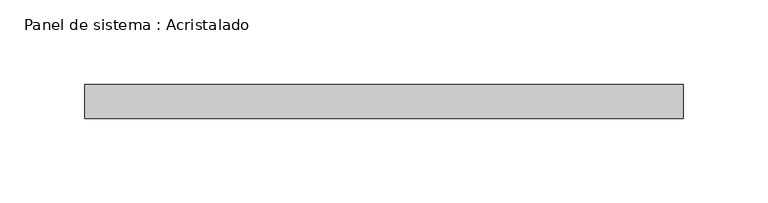
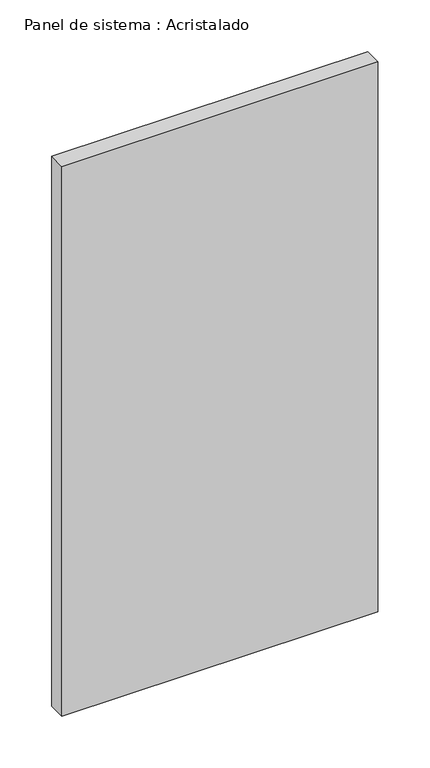
"""IFC4 building model written with IfcOpenShell, lengths in millimetres: plate geometry, Panel de sistema : Acristalado."""

from ifc_helpers import new_model, si_unit, origin, origin_with_axes, place, context, project, spatial, polyline, outline, extrude, source, transform, mapped, element, save


def panel_de_sistema_acristalado_180dfa60(model_context):
    return source(origin(), model_context, "Body", "SweptSolid", [
        extrude(outline(polyline([(176.6666667, -10.0), (-176.6666667, -10.0), (-176.6666667, 10.0), (176.6666667, 10.0), (176.6666667, -10.0)])), origin_with_axes(), (0.0, 0.0, 1.0), 650.0),
    ])


if __name__ == "__main__":
    model = new_model("IFC4")
    model_context = context("Model", 3, world=origin())
    ifc_project = project(units=[si_unit("LENGTHUNIT", "METRE", prefix="MILLI")], contexts=[model_context])
    site = spatial("IfcSite", under=ifc_project)
    building = spatial("IfcBuilding", under=site)
    placement = place(None, origin())
    panel_de_sistema_acristalado_shape = panel_de_sistema_acristalado_180dfa60(model_context)
    element("IfcPlate", 1, ObjectType="Panel de sistema : Acristalado", at=placement, inside=building, context=model_context, shape_type="MappedRepresentation", body=[
        mapped(panel_de_sistema_acristalado_shape, transform((0.0, 0.0, 0.0), x_axis=(1.0, 0.0, 0.0), y_axis=(0.0, 1.0, 0.0), z_axis=(0.0, 0.0, 1.0))),
    ])
    save(model, "model.ifc")
